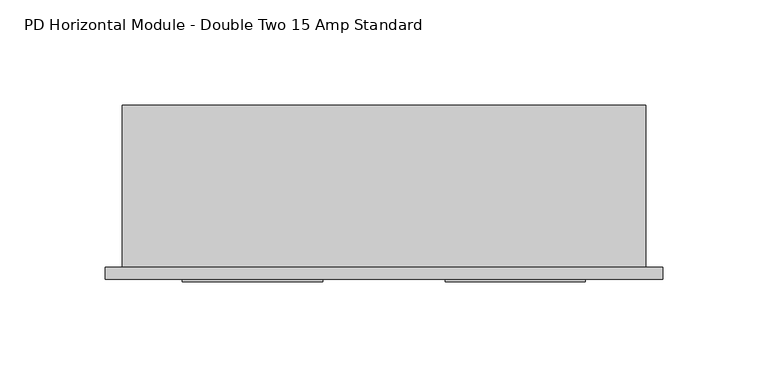
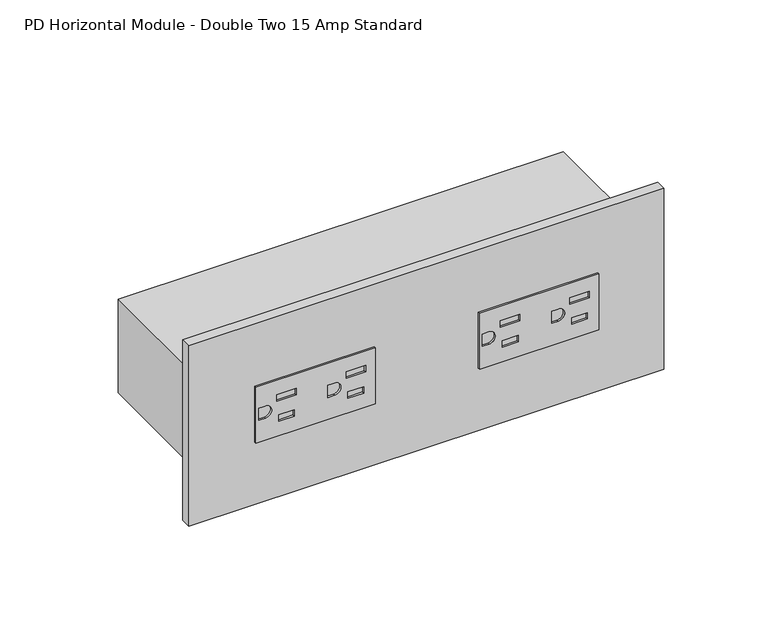
"""IFC4 building model written with IfcOpenShell, lengths in millimetres: proxy geometry, PD Horizontal Module - Double Two 15 Amp Standard."""

from ifc_helpers import new_model, si_unit, point, frame, frame_2d, origin, place, context, project, spatial, polyline, circle_curve, trimmed, segment, composite_curve, outline, extrude, source, transform, mapped, element, save


def pd_horizontal_module_double_two_15_amp_standard_6849602c(model_context):
    return source(origin(), model_context, "Body", "SweptSolid", [
        extrude(outline(polyline([(821.6131229, 220.2976041), (854.6077229, 220.2976041), (854.6077229, 153.6177375), (821.6131229, 153.6177375), (821.6131229, 220.2976041)]), holes=[polyline([(842.2804146, 214.9176149), (842.2804146, 204.0576366), (846.1104069, 204.0576366), (846.1104069, 214.9176149), (842.2804146, 214.9176149)]), polyline([(830.1104389, 213.9176169), (830.1104389, 205.0576346), (833.9404313, 205.0576346), (833.9404313, 213.9176169), (830.1104389, 213.9176169)]), composite_curve([segment(polyline([(841.7426229, 193.8927344), (841.7426229, 197.5249344)]), True, "CONTINUOUS"), segment(trimmed(circle_curve(frame_2d((838.1104229, 197.5249344)), 3.6322), [point((841.7426229, 197.5249344))], [point((834.4782229, 197.5249344))], True, "CARTESIAN"), True, "CONTINUOUS"), segment(polyline([(834.4782229, 197.5249344), (834.4782229, 193.8927344), (841.7426229, 193.8927344)]), True, "CONTINUOUS")], self_intersect=False), polyline([(842.2804146, 176.1776924), (842.2804146, 165.3177141), (846.1104069, 165.3177141), (846.1104069, 176.1776924), (842.2804146, 176.1776924)]), polyline([(830.1104389, 175.1776944), (830.1104389, 166.3177121), (833.9404313, 166.3177121), (833.9404313, 175.1776944), (830.1104389, 175.1776944)]), composite_curve([segment(polyline([(834.4782229, 158.7899344), (834.4782229, 155.1577344), (841.7426229, 155.1577344), (841.7426229, 158.7899344)]), True, "CONTINUOUS"), segment(trimmed(circle_curve(frame_2d((838.1104229, 158.7899344)), 3.6322), [point((841.7426229, 158.7899344))], [point((834.4782229, 158.7899344))], True, "CARTESIAN"), True, "CONTINUOUS")], self_intersect=False)]), frame((0.0, -6.9294746, 0.0), z_axis=(0.0, 1.0, 0.0), x_axis=(0.0, 0.0, 1.0)), (0.0, 0.0, 1.0), 1.0366746),
        extrude(outline(polyline([(821.6104559, 95.2641659), (854.6103899, 95.2641659), (854.6103899, 28.5842992), (821.6104559, 28.5842992), (821.6104559, 95.2641659)]), holes=[polyline([(842.2804146, 89.8841766), (842.2804146, 79.0241983), (846.1104069, 79.0241983), (846.1104069, 89.8841766), (842.2804146, 89.8841766)]), polyline([(830.1104389, 88.8841786), (830.1104389, 80.0241963), (833.9404313, 80.0241963), (833.9404313, 88.8841786), (830.1104389, 88.8841786)]), composite_curve([segment(polyline([(834.4760157, 68.8642187), (841.7404157, 68.8642187), (841.7404157, 72.4964187)]), True, "CONTINUOUS"), segment(trimmed(circle_curve(frame_2d((838.1082157, 72.4964187)), 3.6322), [point((841.7404157, 72.4964187))], [point((834.4760157, 72.4964187))], True, "CARTESIAN"), True, "CONTINUOUS"), segment(polyline([(834.4760157, 72.4964187), (834.4760157, 68.8642187)]), True, "CONTINUOUS")], self_intersect=False), polyline([(842.2804146, 51.1442541), (842.2804146, 40.2842758), (846.1104069, 40.2842758), (846.1104069, 51.1442541), (842.2804146, 51.1442541)]), polyline([(830.1104389, 50.1442561), (830.1104389, 41.2842738), (833.9404313, 41.2842738), (833.9404313, 50.1442561), (830.1104389, 50.1442561)]), composite_curve([segment(polyline([(834.4760157, 30.1242961), (841.7404157, 30.1242961), (841.7404157, 33.7564961)]), True, "CONTINUOUS"), segment(trimmed(circle_curve(frame_2d((838.1082157, 33.7564961)), 3.6322), [point((841.7404157, 33.7564961))], [point((834.4760157, 33.7564961))], True, "CARTESIAN"), True, "CONTINUOUS"), segment(polyline([(834.4760157, 33.7564961), (834.4760157, 30.1242961)]), True, "CONTINUOUS")], self_intersect=False)]), frame((0.0, -6.9294746, 0.0), z_axis=(0.0, 1.0, 0.0), x_axis=(0.0, 0.0, 1.0)), (0.0, 0.0, 1.0), 1.0366746),
        extrude(outline(polyline([(-8.2450977, 0.0), (257.1652913, 0.0), (257.1652913, -5.8928), (-8.2450977, -5.8928), (-8.2450977, 0.0)])), frame((0.0, 0.0, 784.6718508), z_axis=(0.0, 0.0, 1.0), x_axis=(1.0, 0.0, 0.0)), (0.0, 0.0, 1.0), 106.8771443),
        extrude(outline(polyline([(248.92, 0.0), (0.0, 0.0), (0.0, 77.054), (248.92, 77.054), (248.92, 0.0)])), frame((0.0, 0.0, 810.3355229), z_axis=(0.0, 0.0, 1.0), x_axis=(1.0, 0.0, 0.0)), (0.0, 0.0, 1.0), 55.5498),
    ])


if __name__ == "__main__":
    model = new_model("IFC4")
    model_context = context("Model", 3, world=origin())
    ifc_project = project(units=[si_unit("LENGTHUNIT", "METRE", prefix="MILLI")], contexts=[model_context])
    site = spatial("IfcSite", under=ifc_project)
    building = spatial("IfcBuilding", under=site)
    placement = place(None, origin())
    pd_horizontal_module_double_two_15_amp_standard_shape = pd_horizontal_module_double_two_15_amp_standard_6849602c(model_context)
    element("IfcBuildingElementProxy", 1, Name="PD Horizontal Module - Double Two 15 Amp Standard", ObjectType="PD Horizontal Module - Double Two 15 Amp Standard", at=placement, inside=building, context=model_context, shape_type="MappedRepresentation", body=[
        mapped(pd_horizontal_module_double_two_15_amp_standard_shape, transform((0.0, 0.0, 0.0), x_axis=(1.0, 0.0, 0.0), y_axis=(0.0, 1.0, 0.0), z_axis=(0.0, 0.0, 1.0))),
    ])
    save(model, "model.ifc")
